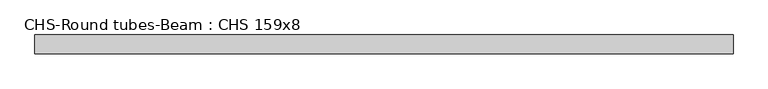
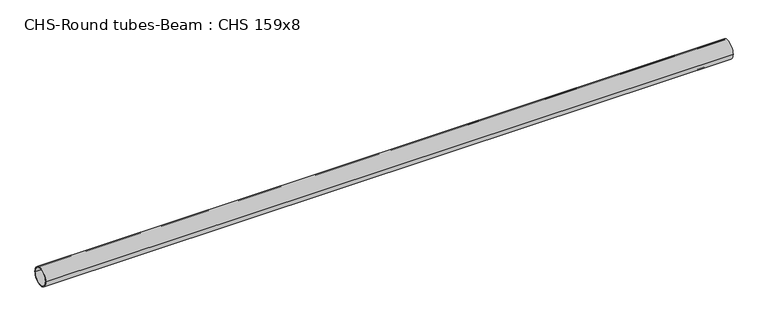
"""IFC4 building model written with IfcOpenShell, lengths in millimetres: beam geometry, CHS-Round tubes-Beam : CHS 159x8."""

from ifc_helpers import new_model, si_unit, point, frame, origin, origin_2d, place, context, project, spatial, circle_curve, trimmed, segment, composite_curve, outline, extrude, source, transform, mapped, element, save


def chs_round_tubes_beam_chs_159x8_9b7ef45d(model_context):
    return source(origin(), model_context, "Body", "SweptSolid", [
        extrude(outline(composite_curve([segment(trimmed(circle_curve(origin_2d(), 79.5), [point((79.5, 0.0))], [point((-79.5, 0.0))], False, "CARTESIAN"), True, "CONTINUOUS"), segment(trimmed(circle_curve(origin_2d(), 79.5), [point((-79.5, 0.0))], [point((79.5, 0.0))], False, "CARTESIAN"), True, "CONTINUOUS")], self_intersect=False), holes=[composite_curve([segment(trimmed(circle_curve(origin_2d(), 71.5), [point((71.5, 0.0))], [point((-71.5, 0.0))], True, "CARTESIAN"), True, "CONTINUOUS"), segment(trimmed(circle_curve(origin_2d(), 71.5), [point((-71.5, 0.0))], [point((71.5, 0.0))], True, "CARTESIAN"), True, "CONTINUOUS")], self_intersect=False)]), frame((-2943.9952353, 0.0, 0.0), z_axis=(1.0, 0.0, 0.0), x_axis=(0.0, 1.0, 0.0)), (0.0, 0.0, 1.0), 5887.9904706),
    ])


if __name__ == "__main__":
    model = new_model("IFC4")
    model_context = context("Model", 3, world=origin())
    ifc_project = project(units=[si_unit("LENGTHUNIT", "METRE", prefix="MILLI")], contexts=[model_context])
    site = spatial("IfcSite", under=ifc_project)
    building = spatial("IfcBuilding", under=site)
    placement = place(None, origin())
    chs_round_tubes_beam_chs_159x8_shape = chs_round_tubes_beam_chs_159x8_9b7ef45d(model_context)
    element("IfcBeam", 1, ObjectType="CHS-Round tubes-Beam : CHS 159x8", at=placement, inside=building, context=model_context, shape_type="MappedRepresentation", body=[
        mapped(chs_round_tubes_beam_chs_159x8_shape, transform((0.0, 0.0, 0.0), x_axis=(1.0, 0.0, 0.0), y_axis=(0.0, 1.0, 0.0), z_axis=(0.0, 0.0, 1.0))),
    ])
    save(model, "model.ifc")
